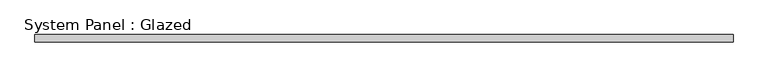
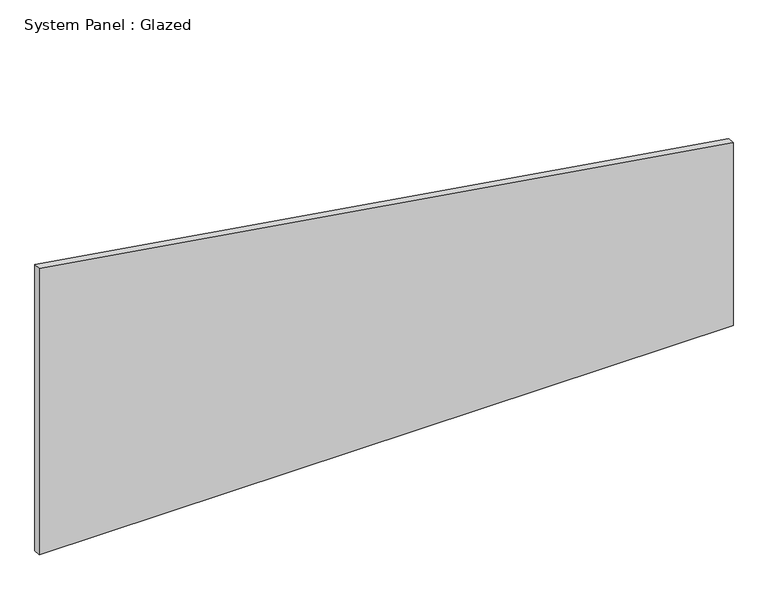
"""IFC4 building model written with IfcOpenShell, lengths in millimetres: plate geometry, System Panel : Glazed."""

import ifcopenshell
import ifcopenshell.guid

model = None  # the IFC model being written
_history = None  # IfcOwnerHistory: only IFC2X3 demands one
_inside = {}  # id of a spatial element -> (the spatial element, [elements in it])
_under = {}  # id of a project, library or spatial element -> (it, [spatial elements below it])
_declared = {}  # id of a project -> (the project, [libraries it declares])
_typed = {}  # id of a type object -> (the type object, [elements of that type])
_made_of = {}  # id of a material, layer set ... -> (it, [elements and type objects made of it])


def new_model(schema):
    """Start an empty IFC model of exactly this schema.

    Asked for "IFC4X3", IfcOpenShell would pick the latest addendum, in which some entities
    have other attributes; the version numbers below select the first issue.
    IFC2X3 requires an IfcOwnerHistory on every rooted entity: one is made here for all.
    """
    global model, _history
    if schema == "IFC4X3":
        model = ifcopenshell.file(schema_version=(4, 3, 0, 0))
    else:
        model = ifcopenshell.file(schema=schema)
    _inside.clear()
    _under.clear()
    _declared.clear()
    _typed.clear()
    _made_of.clear()
    _history = None
    if model.schema == "IFC2X3":
        org = make("IfcOrganization", Name="unknown")
        user = make(
            "IfcPersonAndOrganization",
            ThePerson=make("IfcPerson", FamilyName="unknown"),
            TheOrganization=org,
        )
        app = make(
            "IfcApplication",
            ApplicationDeveloper=org,
            Version="unknown",
            ApplicationFullName="unknown",
            ApplicationIdentifier="unknown",
        )
        _history = make(
            "IfcOwnerHistory",
            OwningUser=user,
            OwningApplication=app,
            ChangeAction="ADDED",
            CreationDate=0,
        )
    return model


def make(cls, **values):
    """One entity of the class cls with the attributes given. An attribute that is None is left unset."""
    return model.create_entity(
        cls, **{name: value for name, value in values.items() if value is not None}
    )


def rooted(cls, **values):
    """An entity with a GlobalId (a new one), such as an element, a storey or a relation."""
    return make(cls, GlobalId=ifcopenshell.guid.new(), OwnerHistory=_history, **values)


def si_unit(unit_type, name, prefix=None):
    """IfcSIUnit, for example si_unit("LENGTHUNIT", "METRE", prefix="MILLI")."""
    return make("IfcSIUnit", UnitType=unit_type, Prefix=prefix, Name=name)


def assignment(units):
    """IfcUnitAssignment: the units of a project."""
    return None if units is None else make("IfcUnitAssignment", Units=units)


def point(xyz):
    """IfcCartesianPoint."""
    return None if xyz is None else make("IfcCartesianPoint", Coordinates=xyz)


def direction(xyz):
    """IfcDirection."""
    return None if xyz is None else make("IfcDirection", DirectionRatios=xyz)


def frame(location, z_axis=None, x_axis=None):
    """IfcAxis2Placement3D, a coordinate frame: its origin and axes. An axis left out is left unset."""
    return make(
        "IfcAxis2Placement3D",
        Location=point(location),
        Axis=direction(z_axis),
        RefDirection=direction(x_axis),
    )


def origin():
    """The frame at (0, 0, 0) with its axes left unset."""
    return frame((0.0, 0.0, 0.0))


def place(relative_to, where):
    """IfcLocalPlacement: puts the frame where relative to a parent placement (None: the world)."""
    return make(
        "IfcLocalPlacement", PlacementRelTo=relative_to, RelativePlacement=where
    )


def context(
    kind, dimensions, precision=None, world=None, true_north=None, identifier=None
):
    """IfcGeometricRepresentationContext, for example the 3D "Model" context."""
    return make(
        "IfcGeometricRepresentationContext",
        ContextIdentifier=identifier,
        ContextType=kind,
        CoordinateSpaceDimension=dimensions,
        Precision=precision,
        WorldCoordinateSystem=world,
        TrueNorth=true_north,
    )


def project(units=None, contexts=None):
    """IfcProject with its units and contexts."""
    return rooted(
        "IfcProject",
        Name="project",
        RepresentationContexts=contexts,
        UnitsInContext=assignment(units),
    )


def spatial(cls, under=None, at=None, **own):
    """A site, building, storey or space (cls), placed at a placement, below another one or the project."""
    s = rooted(cls, ObjectPlacement=at, **own)
    if under is not None:
        _under.setdefault(under.id(), (under, []))[1].append(s)
    return s


def polyline(points):
    """IfcPolyline through the points."""
    return make("IfcPolyline", Points=[point(p) for p in points])


def outline(outer, holes=None, kind="AREA"):
    """IfcArbitraryClosedProfileDef: a profile drawn as a closed curve; with holes, ...WithVoids."""
    if holes is None:
        return make("IfcArbitraryClosedProfileDef", ProfileType=kind, OuterCurve=outer)
    return make(
        "IfcArbitraryProfileDefWithVoids",
        ProfileType=kind,
        OuterCurve=outer,
        InnerCurves=holes,
    )


def extrude(swept, where, along, depth):
    """IfcExtrudedAreaSolid: the profile swept, set in the frame where, extruded along a direction by depth."""
    return make(
        "IfcExtrudedAreaSolid",
        SweptArea=swept,
        Position=where,
        ExtrudedDirection=direction(along),
        Depth=depth,
    )


def shape(context_of_items, identifier, shape_type, items):
    """IfcShapeRepresentation: the items that make up one representation, for example the "Body"."""
    return make(
        "IfcShapeRepresentation",
        ContextOfItems=context_of_items,
        RepresentationIdentifier=identifier,
        RepresentationType=shape_type,
        Items=items,
    )


def source(mapping_origin, context_of_items, identifier, shape_type, items):
    """IfcRepresentationMap: a shape defined once, which mapped items show again and again."""
    return make(
        "IfcRepresentationMap",
        MappingOrigin=mapping_origin,
        MappedRepresentation=shape(context_of_items, identifier, shape_type, items),
    )


def transform(
    local_origin,
    x_axis=None,
    y_axis=None,
    z_axis=None,
    scale=None,
    scale2=None,
    scale3=None,
    uniform=True,
):
    """IfcCartesianTransformationOperator3D, or its non-uniform kind. x_axis, y_axis, z_axis: its Axis1, 2, 3."""
    if uniform:
        return make(
            "IfcCartesianTransformationOperator3D",
            Axis1=direction(x_axis),
            Axis2=direction(y_axis),
            LocalOrigin=point(local_origin),
            Scale=scale,
            Axis3=direction(z_axis),
        )
    return make(
        "IfcCartesianTransformationOperator3DnonUniform",
        Axis1=direction(x_axis),
        Axis2=direction(y_axis),
        LocalOrigin=point(local_origin),
        Scale=scale,
        Axis3=direction(z_axis),
        Scale2=scale2,
        Scale3=scale3,
    )


def mapped(mapping_source, mapping_target):
    """IfcMappedItem: shows the shape of a source again, moved by a transform."""
    return make(
        "IfcMappedItem", MappingSource=mapping_source, MappingTarget=mapping_target
    )


def made_of(thing, what):
    """Note that an element or type object is made of a material, layer set ...; save() writes the relation."""
    if what is not None:
        _made_of.setdefault(what.id(), (what, []))[1].append(thing)
    return thing


def element(
    cls,
    number,
    at=None,
    inside=None,
    cuts=None,
    type_object=None,
    material=None,
    context=None,
    identifier="Body",
    shape_type=None,
    held_by="IfcProductDefinitionShape",
    body=None,
    shapes=None,
    **own,
):
    """One element of the class cls, such as IfcWall. Its Tag is "e" and its number.

    at: its placement. inside: the storey or other place that contains it. cuts: it is an
    opening in that element (IfcRelVoidsElement). A single representation is given by context,
    identifier, shape_type and body (its items); several are given by shapes. held_by: the class
    of the entity that holds the representations. save() writes the other relations.
    """
    e = rooted(cls, Tag="e%d" % number, ObjectPlacement=at, **own)
    if body is not None:
        shapes = [shape(context, identifier, shape_type, body)]
    if shapes is not None:
        e.Representation = make(held_by, Representations=shapes)
    if inside is not None:
        _inside.setdefault(inside.id(), (inside, []))[1].append(e)
    if cuts is not None:
        rooted(
            "IfcRelVoidsElement", RelatingBuildingElement=cuts, RelatedOpeningElement=e
        )
    if type_object is not None:
        _typed.setdefault(type_object.id(), (type_object, []))[1].append(e)
    return made_of(e, material)


def aggregate(whole, parts):
    """IfcRelAggregates: a whole, such as a stair, and the parts it consists of."""
    return rooted("IfcRelAggregates", RelatingObject=whole, RelatedObjects=parts)


def save(model, path):
    """Write the relations noted so far, then the file.

    IfcRelAggregates (storeys below a building ...), IfcRelContainedInSpatialStructure (elements
    in a storey), IfcRelDefinesByType, IfcRelAssociatesMaterial and IfcRelDeclares: one each for
    every whole, place, type object, material and project.
    """
    for whole, parts in _under.values():
        aggregate(whole, parts)
    for where, things in _inside.values():
        rooted(
            "IfcRelContainedInSpatialStructure",
            RelatedElements=things,
            RelatingStructure=where,
        )
    for kind, things in _typed.values():
        rooted("IfcRelDefinesByType", RelatedObjects=things, RelatingType=kind)
    for what, things in _made_of.values():
        rooted("IfcRelAssociatesMaterial", RelatedObjects=things, RelatingMaterial=what)
    for by, libraries in _declared.values():
        rooted("IfcRelDeclares", RelatingContext=by, RelatedDefinitions=libraries)
    model.write(path)


def system_panel_glazed_14842c6a(model_context):
    return source(origin(), model_context, "Body", "SweptSolid", [
        extrude(outline(polyline([(0.0, -1171.7121958), (0.0, 1171.7121958), (652.910541, 1171.7121958), (1022.972921, -1171.7121958), (0.0, -1171.7121958)])), frame((0.0, 24.5, 0.0), z_axis=(0.0, 1.0, 0.0), x_axis=(0.0, 0.0, 1.0)), (0.0, 0.0, 1.0), 25.0),
    ])


if __name__ == "__main__":
    model = new_model("IFC4")
    model_context = context("Model", 3, world=origin())
    ifc_project = project(units=[si_unit("LENGTHUNIT", "METRE", prefix="MILLI")], contexts=[model_context])
    site = spatial("IfcSite", under=ifc_project)
    building = spatial("IfcBuilding", under=site)
    placement = place(None, origin())
    system_panel_glazed_shape = system_panel_glazed_14842c6a(model_context)
    element("IfcPlate", 1, ObjectType="System Panel : Glazed", at=placement, inside=building, context=model_context, shape_type="MappedRepresentation", body=[
        mapped(system_panel_glazed_shape, transform((0.0, 0.0, 0.0), x_axis=(1.0, 0.0, 0.0), y_axis=(0.0, 1.0, 0.0), z_axis=(0.0, 0.0, 1.0))),
    ])
    save(model, "model.ifc")
